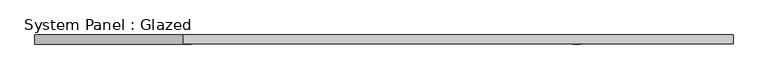
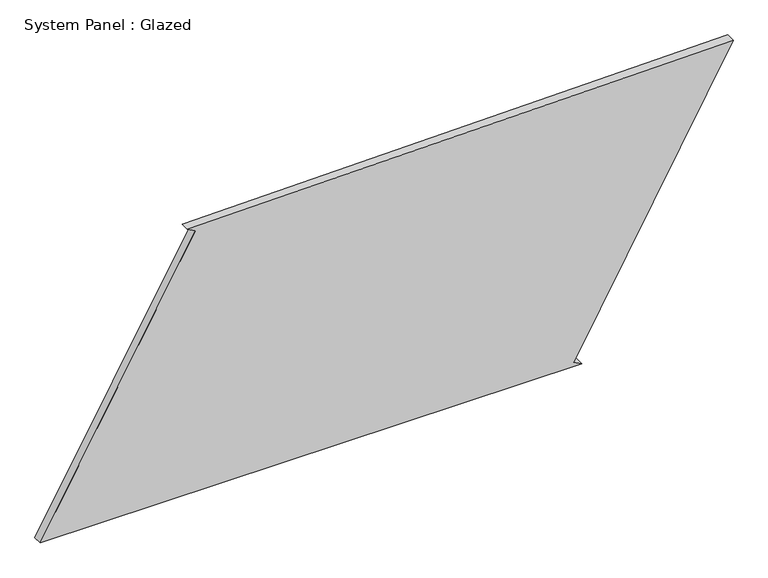
"""IFC4 building model written with IfcOpenShell, lengths in millimetres: plate geometry, System Panel : Glazed."""

from ifc_helpers import new_model, si_unit, frame, origin, place, context, project, spatial, polyline, outline, extrude, source, transform, mapped, element, save


def system_panel_glazed_52eefdb1(model_context):
    return source(origin(), model_context, "Body", "SweptSolid", [
        extrude(outline(polyline([(0.0, -960.0663225), (0.0, 540.5891687), (12.2068509, 518.7719097), (800.9307046, 960.0663225), (776.2454107, -551.9383129), (763.9851179, -530.1510409), (0.0, -960.0663225)])), frame((0.0, -49.5, 0.0), z_axis=(0.0, 1.0, 0.0), x_axis=(0.0, 0.0, 1.0)), (0.0, 0.0, 1.0), 25.0),
    ])


if __name__ == "__main__":
    model = new_model("IFC4")
    model_context = context("Model", 3, world=origin())
    ifc_project = project(units=[si_unit("LENGTHUNIT", "METRE", prefix="MILLI")], contexts=[model_context])
    site = spatial("IfcSite", under=ifc_project)
    building = spatial("IfcBuilding", under=site)
    placement = place(None, origin())
    system_panel_glazed_shape = system_panel_glazed_52eefdb1(model_context)
    element("IfcPlate", 1, ObjectType="System Panel : Glazed", at=placement, inside=building, context=model_context, shape_type="MappedRepresentation", body=[
        mapped(system_panel_glazed_shape, transform((0.0, 0.0, 0.0), x_axis=(1.0, 0.0, 0.0), y_axis=(0.0, 1.0, 0.0), z_axis=(0.0, 0.0, 1.0))),
    ])
    save(model, "model.ifc")
